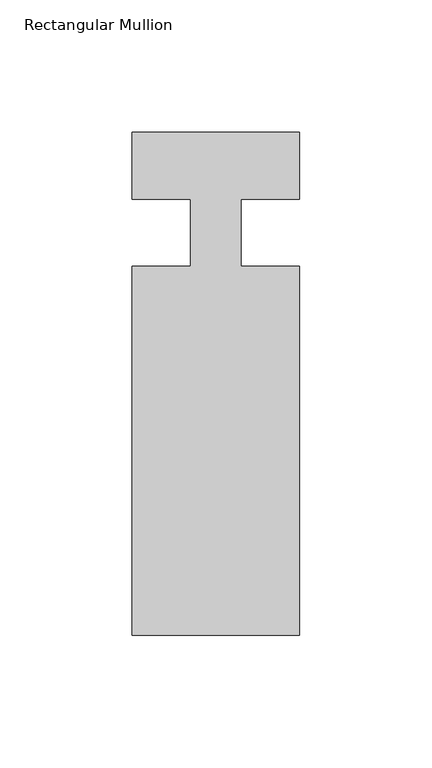
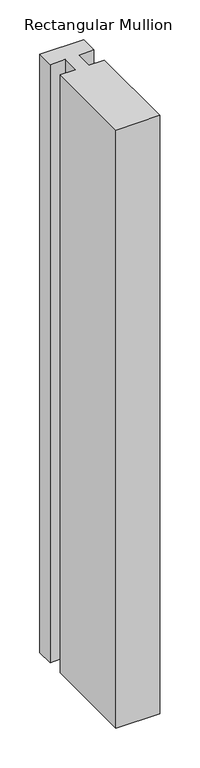
"""IFC4 building model written with IfcOpenShell, lengths in millimetres: member geometry, Rectangular Mullion."""

import ifcopenshell
import ifcopenshell.guid

model = None  # the IFC model being written
_history = None  # IfcOwnerHistory: only IFC2X3 demands one
_inside = {}  # id of a spatial element -> (the spatial element, [elements in it])
_under = {}  # id of a project, library or spatial element -> (it, [spatial elements below it])
_declared = {}  # id of a project -> (the project, [libraries it declares])
_typed = {}  # id of a type object -> (the type object, [elements of that type])
_made_of = {}  # id of a material, layer set ... -> (it, [elements and type objects made of it])


def new_model(schema):
    """Start an empty IFC model of exactly this schema.

    Asked for "IFC4X3", IfcOpenShell would pick the latest addendum, in which some entities
    have other attributes; the version numbers below select the first issue.
    IFC2X3 requires an IfcOwnerHistory on every rooted entity: one is made here for all.
    """
    global model, _history
    if schema == "IFC4X3":
        model = ifcopenshell.file(schema_version=(4, 3, 0, 0))
    else:
        model = ifcopenshell.file(schema=schema)
    _inside.clear()
    _under.clear()
    _declared.clear()
    _typed.clear()
    _made_of.clear()
    _history = None
    if model.schema == "IFC2X3":
        org = make("IfcOrganization", Name="unknown")
        user = make(
            "IfcPersonAndOrganization",
            ThePerson=make("IfcPerson", FamilyName="unknown"),
            TheOrganization=org,
        )
        app = make(
            "IfcApplication",
            ApplicationDeveloper=org,
            Version="unknown",
            ApplicationFullName="unknown",
            ApplicationIdentifier="unknown",
        )
        _history = make(
            "IfcOwnerHistory",
            OwningUser=user,
            OwningApplication=app,
            ChangeAction="ADDED",
            CreationDate=0,
        )
    return model


def make(cls, **values):
    """One entity of the class cls with the attributes given. An attribute that is None is left unset."""
    return model.create_entity(
        cls, **{name: value for name, value in values.items() if value is not None}
    )


def rooted(cls, **values):
    """An entity with a GlobalId (a new one), such as an element, a storey or a relation."""
    return make(cls, GlobalId=ifcopenshell.guid.new(), OwnerHistory=_history, **values)


def si_unit(unit_type, name, prefix=None):
    """IfcSIUnit, for example si_unit("LENGTHUNIT", "METRE", prefix="MILLI")."""
    return make("IfcSIUnit", UnitType=unit_type, Prefix=prefix, Name=name)


def assignment(units):
    """IfcUnitAssignment: the units of a project."""
    return None if units is None else make("IfcUnitAssignment", Units=units)


def point(xyz):
    """IfcCartesianPoint."""
    return None if xyz is None else make("IfcCartesianPoint", Coordinates=xyz)


def direction(xyz):
    """IfcDirection."""
    return None if xyz is None else make("IfcDirection", DirectionRatios=xyz)


def frame(location, z_axis=None, x_axis=None):
    """IfcAxis2Placement3D, a coordinate frame: its origin and axes. An axis left out is left unset."""
    return make(
        "IfcAxis2Placement3D",
        Location=point(location),
        Axis=direction(z_axis),
        RefDirection=direction(x_axis),
    )


def origin():
    """The frame at (0, 0, 0) with its axes left unset."""
    return frame((0.0, 0.0, 0.0))


def place(relative_to, where):
    """IfcLocalPlacement: puts the frame where relative to a parent placement (None: the world)."""
    return make(
        "IfcLocalPlacement", PlacementRelTo=relative_to, RelativePlacement=where
    )


def context(
    kind, dimensions, precision=None, world=None, true_north=None, identifier=None
):
    """IfcGeometricRepresentationContext, for example the 3D "Model" context."""
    return make(
        "IfcGeometricRepresentationContext",
        ContextIdentifier=identifier,
        ContextType=kind,
        CoordinateSpaceDimension=dimensions,
        Precision=precision,
        WorldCoordinateSystem=world,
        TrueNorth=true_north,
    )


def project(units=None, contexts=None):
    """IfcProject with its units and contexts."""
    return rooted(
        "IfcProject",
        Name="project",
        RepresentationContexts=contexts,
        UnitsInContext=assignment(units),
    )


def spatial(cls, under=None, at=None, **own):
    """A site, building, storey or space (cls), placed at a placement, below another one or the project."""
    s = rooted(cls, ObjectPlacement=at, **own)
    if under is not None:
        _under.setdefault(under.id(), (under, []))[1].append(s)
    return s


def polyline(points):
    """IfcPolyline through the points."""
    return make("IfcPolyline", Points=[point(p) for p in points])


def outline(outer, holes=None, kind="AREA"):
    """IfcArbitraryClosedProfileDef: a profile drawn as a closed curve; with holes, ...WithVoids."""
    if holes is None:
        return make("IfcArbitraryClosedProfileDef", ProfileType=kind, OuterCurve=outer)
    return make(
        "IfcArbitraryProfileDefWithVoids",
        ProfileType=kind,
        OuterCurve=outer,
        InnerCurves=holes,
    )


def extrude(swept, where, along, depth):
    """IfcExtrudedAreaSolid: the profile swept, set in the frame where, extruded along a direction by depth."""
    return make(
        "IfcExtrudedAreaSolid",
        SweptArea=swept,
        Position=where,
        ExtrudedDirection=direction(along),
        Depth=depth,
    )


def shape(context_of_items, identifier, shape_type, items):
    """IfcShapeRepresentation: the items that make up one representation, for example the "Body"."""
    return make(
        "IfcShapeRepresentation",
        ContextOfItems=context_of_items,
        RepresentationIdentifier=identifier,
        RepresentationType=shape_type,
        Items=items,
    )


def source(mapping_origin, context_of_items, identifier, shape_type, items):
    """IfcRepresentationMap: a shape defined once, which mapped items show again and again."""
    return make(
        "IfcRepresentationMap",
        MappingOrigin=mapping_origin,
        MappedRepresentation=shape(context_of_items, identifier, shape_type, items),
    )


def transform(
    local_origin,
    x_axis=None,
    y_axis=None,
    z_axis=None,
    scale=None,
    scale2=None,
    scale3=None,
    uniform=True,
):
    """IfcCartesianTransformationOperator3D, or its non-uniform kind. x_axis, y_axis, z_axis: its Axis1, 2, 3."""
    if uniform:
        return make(
            "IfcCartesianTransformationOperator3D",
            Axis1=direction(x_axis),
            Axis2=direction(y_axis),
            LocalOrigin=point(local_origin),
            Scale=scale,
            Axis3=direction(z_axis),
        )
    return make(
        "IfcCartesianTransformationOperator3DnonUniform",
        Axis1=direction(x_axis),
        Axis2=direction(y_axis),
        LocalOrigin=point(local_origin),
        Scale=scale,
        Axis3=direction(z_axis),
        Scale2=scale2,
        Scale3=scale3,
    )


def mapped(mapping_source, mapping_target):
    """IfcMappedItem: shows the shape of a source again, moved by a transform."""
    return make(
        "IfcMappedItem", MappingSource=mapping_source, MappingTarget=mapping_target
    )


def made_of(thing, what):
    """Note that an element or type object is made of a material, layer set ...; save() writes the relation."""
    if what is not None:
        _made_of.setdefault(what.id(), (what, []))[1].append(thing)
    return thing


def element(
    cls,
    number,
    at=None,
    inside=None,
    cuts=None,
    type_object=None,
    material=None,
    context=None,
    identifier="Body",
    shape_type=None,
    held_by="IfcProductDefinitionShape",
    body=None,
    shapes=None,
    **own,
):
    """One element of the class cls, such as IfcWall. Its Tag is "e" and its number.

    at: its placement. inside: the storey or other place that contains it. cuts: it is an
    opening in that element (IfcRelVoidsElement). A single representation is given by context,
    identifier, shape_type and body (its items); several are given by shapes. held_by: the class
    of the entity that holds the representations. save() writes the other relations.
    """
    e = rooted(cls, Tag="e%d" % number, ObjectPlacement=at, **own)
    if body is not None:
        shapes = [shape(context, identifier, shape_type, body)]
    if shapes is not None:
        e.Representation = make(held_by, Representations=shapes)
    if inside is not None:
        _inside.setdefault(inside.id(), (inside, []))[1].append(e)
    if cuts is not None:
        rooted(
            "IfcRelVoidsElement", RelatingBuildingElement=cuts, RelatedOpeningElement=e
        )
    if type_object is not None:
        _typed.setdefault(type_object.id(), (type_object, []))[1].append(e)
    return made_of(e, material)


def aggregate(whole, parts):
    """IfcRelAggregates: a whole, such as a stair, and the parts it consists of."""
    return rooted("IfcRelAggregates", RelatingObject=whole, RelatedObjects=parts)


def save(model, path):
    """Write the relations noted so far, then the file.

    IfcRelAggregates (storeys below a building ...), IfcRelContainedInSpatialStructure (elements
    in a storey), IfcRelDefinesByType, IfcRelAssociatesMaterial and IfcRelDeclares: one each for
    every whole, place, type object, material and project.
    """
    for whole, parts in _under.values():
        aggregate(whole, parts)
    for where, things in _inside.values():
        rooted(
            "IfcRelContainedInSpatialStructure",
            RelatedElements=things,
            RelatingStructure=where,
        )
    for kind, things in _typed.values():
        rooted("IfcRelDefinesByType", RelatedObjects=things, RelatingType=kind)
    for what, things in _made_of.values():
        rooted("IfcRelAssociatesMaterial", RelatedObjects=things, RelatingMaterial=what)
    for by, libraries in _declared.values():
        rooted("IfcRelDeclares", RelatingContext=by, RelatedDefinitions=libraries)
    model.write(path)


def rectangular_mullion_8e729e0d(model_context):
    return source(origin(), model_context, "Body", "SweptSolid", [
        extrude(outline(polyline([(31.7499939, -184.1499975), (-31.7500061, -184.1499975), (-31.7500061, -44.4500025), (-9.5251193, -44.4500025), (-9.5251193, -19.0251978), (-31.7500061, -19.0251978), (-31.7500061, 6.3499975), (31.7499939, 6.3499975), (31.7499939, -19.0457149), (9.5251071, -19.0457149), (9.5251071, -44.4500025), (31.7499939, -44.4500025), (31.7499939, -184.1499975)])), frame((0.0, 0.0, -914.4), z_axis=(0.0, 0.0, 1.0), x_axis=(1.0, 0.0, 0.0)), (0.0, 0.0, 1.0), 914.4),
    ])


if __name__ == "__main__":
    model = new_model("IFC4")
    model_context = context("Model", 3, world=origin())
    ifc_project = project(units=[si_unit("LENGTHUNIT", "METRE", prefix="MILLI")], contexts=[model_context])
    site = spatial("IfcSite", under=ifc_project)
    building = spatial("IfcBuilding", under=site)
    placement = place(None, origin())
    rectangular_mullion_shape = rectangular_mullion_8e729e0d(model_context)
    element("IfcMember", 1, ObjectType="Rectangular Mullion", at=placement, inside=building, context=model_context, shape_type="MappedRepresentation", body=[
        mapped(rectangular_mullion_shape, transform((0.0, 0.0, 0.0), x_axis=(1.0, 0.0, 0.0), y_axis=(0.0, 1.0, 0.0), z_axis=(0.0, 0.0, 1.0))),
    ])
    save(model, "model.ifc")
